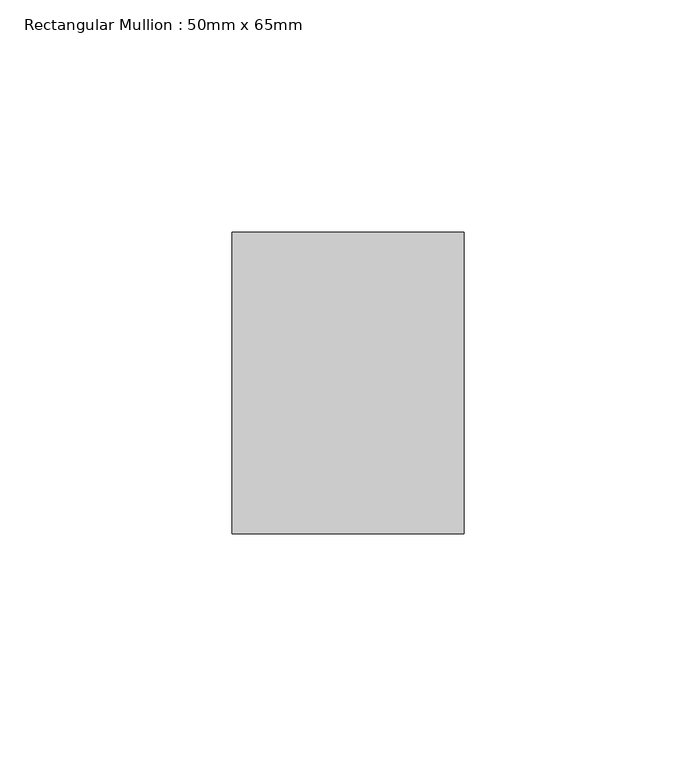
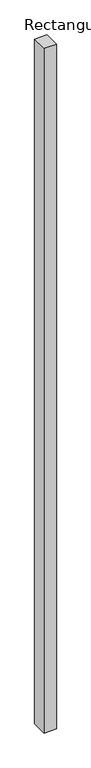
"""IFC4 building model written with IfcOpenShell, lengths in millimetres: member geometry, Rectangular Mullion : 50mm x 65mm."""

from ifc_helpers import new_model, si_unit, frame, origin, place, context, project, spatial, polyline, outline, extrude, source, transform, mapped, element, save


def rectangular_mullion_50mm_x_65mm_983346b7(model_context):
    return source(origin(), model_context, "Body", "SweptSolid", [
        extrude(outline(polyline([(25.0, 32.5), (25.0, -32.5), (-25.0, -32.5), (-25.0, 32.5), (25.0, 32.5)])), frame((0.0, 0.0, -2924.9800385), z_axis=(0.0, 0.0, 1.0), x_axis=(1.0, 0.0, 0.0)), (0.0, 0.0, 1.0), 2924.9800385),
    ])


if __name__ == "__main__":
    model = new_model("IFC4")
    model_context = context("Model", 3, world=origin())
    ifc_project = project(units=[si_unit("LENGTHUNIT", "METRE", prefix="MILLI")], contexts=[model_context])
    site = spatial("IfcSite", under=ifc_project)
    building = spatial("IfcBuilding", under=site)
    placement = place(None, origin())
    rectangular_mullion_50mm_x_65mm_shape = rectangular_mullion_50mm_x_65mm_983346b7(model_context)
    element("IfcMember", 1, ObjectType="Rectangular Mullion : 50mm x 65mm", at=placement, inside=building, context=model_context, shape_type="MappedRepresentation", body=[
        mapped(rectangular_mullion_50mm_x_65mm_shape, transform((0.0, 0.0, 0.0), x_axis=(1.0, 0.0, 0.0), y_axis=(0.0, 1.0, 0.0), z_axis=(0.0, 0.0, 1.0))),
    ])
    save(model, "model.ifc")
